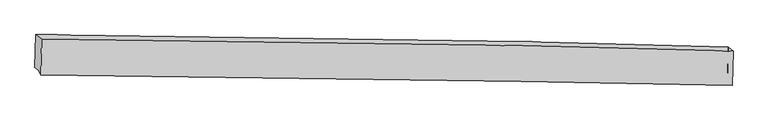
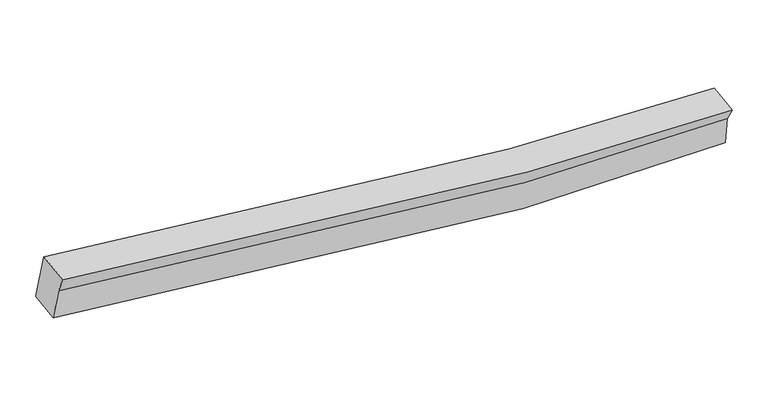
"""IFC4 building model written with IfcOpenShell, lengths in millimetres: proxy geometry."""

from ifc_helpers import new_model, si_unit, frame, origin, place, context, project, spatial, source, transform, mapped, element, save
from ifc_brep_helpers import plane_surface, spline_curve, spline_surface, advanced_brep


def generic_models_643e5ec3(model_context):
    return source(origin(), model_context, "Body", "AdvancedBrep", [
        advanced_brep(
        [(-5804.4540502, -2234.4704523, 3895.1589575), (-5833.4894276, -2159.8331423, 3672.5590473), (5202.5345376, -2384.2698396, 2988.1250613), (5279.1531445, -2398.5678028, 3115.9491706), (-5897.9433965, -2110.9322522, 3187.6056616), (5205.1752487, -2318.7947559, 2523.0452264), (-5885.5575852, -1586.6288045, 3238.8282972), (5217.8571627, -1781.9569944, 2575.4924212), (-5790.8473356, -1658.4849771, 3951.4307487), (5292.1265791, -1849.3896897, 3169.6019751)],
        [
            (0, 1),
            (1, 2, spline_curve(3, [(-5833.4894276, -2159.8331423, 3672.5590473), (-3249.673817813, -2155.840925997, 3239.436715505), (-673.712579494, -2191.227751969, 2997.632113972), (2998.559660203, -2298.139430788, 2925.438258693), (4101.273077073, -2337.564837836, 2939.098198464), (5202.5345376, -2384.2698396, 2988.1250613)], [4, 2, 4], [0.0, 25.466881152316446, 36.41644430774507])),
            (2, 3),
            (3, 0, spline_curve(3, [(5279.1531445, -2398.5678028, 3115.9491706), (4143.866796082, -2377.801916127, 3108.984470284), (3015.925029508, -2358.334697786, 3127.59570481), (-710.996710238, -2297.909090823, 3274.554956512), (-3277.590675291, -2262.677192106, 3515.680317135), (-5804.4540502, -2234.4704523, 3895.1589575)], [4, 2, 4], [0.0, 10.94956315542862, 36.41644430774507])),
            (1, 4),
            (4, 5, spline_curve(3, [(-5897.9433965, -2110.9322522, 3187.6056616), (-3284.138178319, -2117.023721684, 2738.896110852), (-688.222142874, -2152.740582945, 2495.644545557), (2998.235209716, -2246.176937673, 2441.601499873), (4103.358722874, -2279.747577375, 2463.332920183), (5205.1752487, -2318.7947559, 2523.0452264)], [4, 2, 4], [0.0, 25.495818621240954, 36.45782352961341])),
            (5, 2),
            (4, 6),
            (6, 7, spline_curve(3, [(-5885.5575852, -1586.6288045, 3238.8282972), (-3271.91290513, -1599.516010182, 2789.45482675), (-675.996870115, -1635.232871511, 2546.203261329), (3010.690045051, -1718.9516426, 2493.109589969), (4115.912259083, -1748.344177699, 2515.249196918), (5217.8571627, -1781.9569944, 2575.4924212)], [4, 2, 4], [0.0, 25.573453462640302, 36.56883770764529])),
            (7, 5),
            (6, 8),
            (8, 9, spline_curve(3, [(-5790.8473356, -1658.4849771, 3951.4307487), (-3263.640615055, -1672.157554245, 3573.372046016), (-697.046649388, -1707.389452882, 3332.246685173), (3029.384121484, -1788.598230003, 3183.256989571), (4157.114794951, -1817.001236029, 3163.77275934), (5292.1265791, -1849.3896897, 3169.6019751)], [4, 2, 4], [0.0, 25.544167845036043, 36.52696064951144])),
            (9, 7),
            (8, 0),
            (3, 9),
            (7, 2),
            (2, 9),
        ],
        [
            spline_surface(3, 3, [[(-5804.4540502, -2234.4704523, 3895.1589575), (-3277.590675279, -2262.677192322, 3515.680317283), (-710.996710287, -2297.90909077, 3274.554956307), (3015.925029529, -2358.334697809, 3127.595704898), (4143.866796057, -2377.801916244, 3108.984470259), (5279.1531445, -2398.5678028, 3115.9491706)], [(-5814.132509335, -2209.591348954, 3820.958987446), (-3268.285056094, -2227.06510365, 3423.599116612), (-698.568666697, -2262.348644448, 3182.24734212), (3010.136573061, -2338.269608834, 3060.209889526), (4129.66888968, -2364.389556792, 3052.355712947), (5253.613608855, -2393.801815077, 3073.34113418)], [(-5823.810968465, -2184.712245646, 3746.759017354), (-3258.979436904, -2191.453015016, 3331.517915902), (-686.140623045, -2226.78819811, 3089.939727939), (3004.348116654, -2318.204519842, 2992.82407416), (4115.470983339, -2350.977197309, 2995.726955595), (5228.074073245, -2389.035827323, 3030.73309772)], [(-5833.4894276, -2159.8331423, 3672.5590473), (-3249.673817719, -2155.840926344, 3239.436715231), (-673.712579456, -2191.227751788, 2997.632113752), (2998.559660186, -2298.139430866, 2925.438258788), (4101.273076962, -2337.564837857, 2939.098198284), (5202.5345376, -2384.2698396, 2988.1250613)]], [4, 4], [4, 2, 4], [0.0, 0.8986014980954975], [0.0, 25.466881152316446, 36.41644430774507]),
            spline_surface(3, 3, [[(-5833.4894276, -2159.8331423, 3672.5590473), (-3249.673817719, -2155.840926344, 3239.436715231), (-673.712579456, -2191.227751788, 2997.632113752), (2998.559660186, -2298.139430866, 2925.438258788), (4101.273076962, -2337.564837857, 2939.098198284), (5202.5345376, -2384.2698396, 2988.1250613)], [(-5854.974083893, -2143.532845594, 3510.907918711), (-3261.161937903, -2142.901858128, 3072.589847182), (-678.549100689, -2178.398695589, 2830.302924368), (2998.451510062, -2280.818599781, 2764.159339154), (4101.968292331, -2318.292417692, 2780.509772305), (5203.414774641, -2362.444811703, 2833.098449674)], [(-5876.458740207, -2127.232548906, 3349.256790189), (-3272.650058108, -2129.962789932, 2905.742979199), (-683.385621905, -2165.569639361, 2662.973734963), (2998.343359954, -2263.497768666, 2602.880419498), (4102.663507677, -2299.019997517, 2621.921346305), (5204.295011659, -2340.619783797, 2678.071838026)], [(-5897.9433965, -2110.9322522, 3187.6056616), (-3284.138178293, -2117.023721716, 2738.89611115), (-688.222143138, -2152.740583162, 2495.644545579), (2998.23520983, -2246.17693758, 2441.601499864), (4103.358723046, -2279.747577351, 2463.332920327), (5205.1752487, -2318.7947559, 2523.0452264)]], [4, 4], [4, 2, 4], [0.0, 1.636270304432612], [0.0, 25.495818621240954, 36.45782352961341]),
            spline_surface(3, 3, [[(-5897.9433965, -2110.9322522, 3187.6056616), (-3284.138178293, -2117.023721716, 2738.89611115), (-688.222143138, -2152.740583162, 2495.644545579), (2998.23520983, -2246.17693758, 2441.601499864), (4103.358723046, -2279.747577351, 2463.332920327), (5205.1752487, -2318.7947559, 2523.0452264)], [(-5893.814792732, -1936.164436319, 3204.679873483), (-3280.06308724, -1944.521151176, 2755.749016388), (-684.147052086, -1980.238012622, 2512.497450817), (3002.386821553, -2070.435172562, 2458.770863213), (4107.543235065, -2102.613110796, 2480.638345805), (5209.402553355, -2139.84883541, 2540.52762467)], [(-5889.686188968, -1761.396620381, 3221.754085317), (-3275.987996192, -1772.018580579, 2772.601921578), (-680.071961038, -1807.735442124, 2529.350356107), (3006.538433272, -1894.693407587, 2475.940226613), (4111.727747119, -1925.478644213, 2497.943771273), (5213.629858045, -1960.90291489, 2558.01002293)], [(-5885.5575852, -1586.6288045, 3238.8282972), (-3271.912905139, -1599.516010039, 2789.454826816), (-675.996869985, -1635.232871584, 2546.203261345), (3010.690044995, -1718.951642569, 2493.109589962), (4115.912259138, -1748.344177659, 2515.249196751), (5217.8571627, -1781.9569944, 2575.4924212)]], [4, 4], [4, 2, 4], [0.0, 1.715123635082297], [0.0, 25.573453462640302, 36.56883770764529]),
            spline_surface(3, 3, [[(-5885.5575852, -1586.6288045, 3238.8282972), (-3271.912905139, -1599.516010039, 2789.454826816), (-675.996869985, -1635.232871584, 2546.203261345), (3010.690044995, -1718.951642569, 2493.109589962), (4115.912259138, -1748.344177659, 2515.249196751), (5217.8571627, -1781.9569944, 2575.4924212)], [(-5853.987501985, -1610.580862025, 3476.362447696), (-3269.15547503, -1623.729858147, 3050.760566532), (-683.013463233, -1659.285065325, 2808.217735911), (3016.921403892, -1742.167171759, 2723.158723206), (4129.646437701, -1771.22986374, 2731.423717629), (5242.613634844, -1804.4345595, 2773.528939152)], [(-5822.417418815, -1634.532919575, 3713.896598204), (-3266.398044967, -1647.94370628, 3312.066306259), (-690.03005652, -1683.337258994, 3070.232210432), (3023.15276275, -1765.382700876, 2953.207856403), (4143.380616233, -1794.115549822, 2947.598238551), (5267.370106956, -1826.9121246, 2971.565457148)], [(-5790.8473356, -1658.4849771, 3951.4307487), (-3263.640614859, -1672.157554388, 3573.372045974), (-697.046649767, -1707.389452735, 3332.246684999), (3029.384121647, -1788.598230066, 3183.256989646), (4157.114794796, -1817.001235904, 3163.772759428), (5292.1265791, -1849.3896897, 3169.6019751)]], [4, 4], [4, 2, 4], [0.0, 2.5027397447285606], [0.0, 25.544167845036043, 36.52696064951144]),
            spline_surface(3, 3, [[(-5790.8473356, -1658.4849771, 3951.4307487), (-3263.640614859, -1672.157554388, 3573.372045974), (-697.046649767, -1707.389452735, 3332.246684999), (3029.384121647, -1788.598230066, 3183.256989646), (4157.114794796, -1817.001235904, 3163.772759428), (5292.1265791, -1849.3896897, 3169.6019751)], [(-5795.382907155, -1850.480135508, 3932.673484963), (-3268.29063502, -1868.997433707, 3554.141469741), (-701.696669929, -1904.229332055, 3313.016108765), (3024.89775762, -1978.510385955, 3164.70322806), (4152.698795221, -2003.934795993, 3145.509996362), (5287.802100905, -2032.44906071, 3151.717706924)], [(-5799.918478645, -2042.475293892, 3913.916221237), (-3272.940655117, -2065.837313002, 3534.910893517), (-706.346690126, -2101.06921145, 3293.785532541), (3020.411393557, -2168.42254192, 3146.149466484), (4148.282795631, -2190.868356154, 3127.247233325), (5283.477622695, -2215.50843179, 3133.833438776)], [(-5804.4540502, -2234.4704523, 3895.1589575), (-3277.590675279, -2262.677192322, 3515.680317283), (-710.996710287, -2297.90909077, 3274.554956307), (3015.925029529, -2358.334697809, 3127.595704898), (4143.866796057, -2377.801916244, 3108.984470259), (5279.1531445, -2398.5678028, 3115.9491706)]], [4, 4], [4, 2, 4], [0.0, 1.9285366467016996], [0.0, 25.51769042546319, 36.48909918270988]),
            plane_surface(frame((-5842.458359, -1950.0699257, 3589.1165425), z_axis=(-0.9910910299186662, 0.01044111570865249, 0.13277632890510413), x_axis=(0.023504931208123647, 0.9949866154651469, 0.09720675518765898))),
            plane_surface(frame((5208.5223163, -2161.6738633, 2695.5542363), z_axis=(0.9997130192337101, -0.023843205502167557, 0.002319639196338095), x_axis=(-0.020982393216881574, -0.8247911101475668, 0.5650481075062872))),
            plane_surface(frame((5257.9380871, -2210.742444, 3091.2254023), z_axis=(0.8588000291463863, 0.029679205079986892, -0.5114505398608806), x_axis=(-0.023504931208124087, -0.9949866154651468, -0.09720675518765952))),
            plane_surface(frame((5237.5060931, -2005.2055079, 2911.0731525), z_axis=(0.9835453338805477, -0.1184650863916237, -0.1363986785420858), x_axis=(0.1232648314939102, -0.1119179363843679, 0.9860426749549143))),
        ],
        [
            (0, [[1, 2, 3, 4]]),
            (1, [[5, 6, 7, -2]]),
            (2, [[8, 9, 10, -6]]),
            (3, [[11, 12, 13, -9]]),
            (4, [[14, -4, 15, -12]]),
            (5, [[-14, -11, -8, -5, -1]]),
            (6, [[16, -7, -10]]),
            (7, [[-15, -3, 17]]),
            (8, [[-13, -17, -16]]),
        ],
    ),
    ])


if __name__ == "__main__":
    model = new_model("IFC4")
    model_context = context("Model", 3, world=origin())
    ifc_project = project(units=[si_unit("LENGTHUNIT", "METRE", prefix="MILLI")], contexts=[model_context])
    site = spatial("IfcSite", under=ifc_project)
    building = spatial("IfcBuilding", under=site)
    placement = place(None, origin())
    generic_models_shape = generic_models_643e5ec3(model_context)
    element("IfcBuildingElementProxy", 1, Name="Generic Models", at=placement, inside=building, context=model_context, shape_type="MappedRepresentation", body=[
        mapped(generic_models_shape, transform((0.0, 0.0, 0.0), x_axis=(1.0, 0.0, 0.0), y_axis=(0.0, 1.0, 0.0), z_axis=(0.0, 0.0, 1.0))),
    ])
    save(model, "model.ifc")
